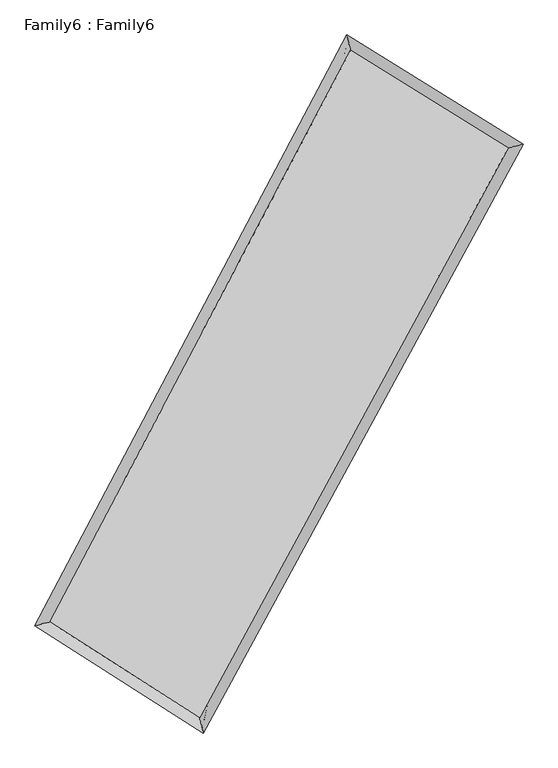
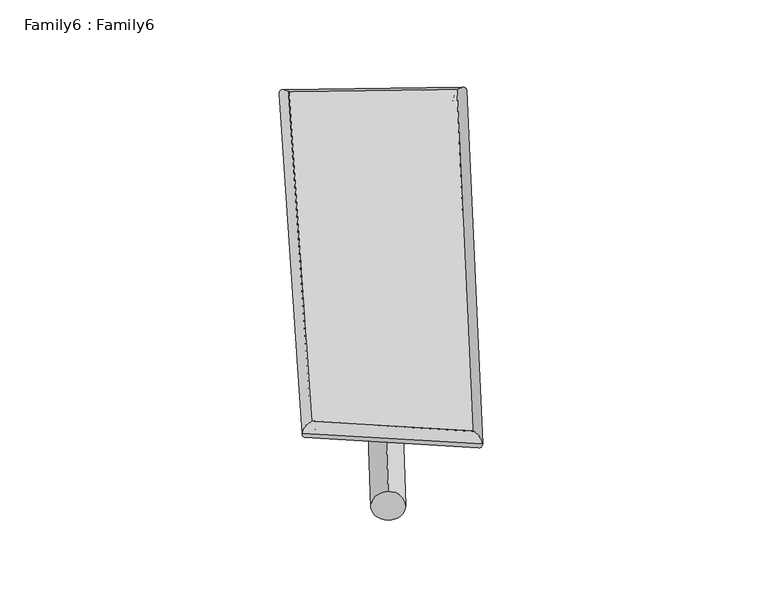
"""IFC4 building model written with IfcOpenShell, lengths in millimetres: plate geometry, Family6 : Family6."""

from ifc_helpers import new_model, si_unit, point, frame, origin, origin_2d, place, context, project, spatial, circle_curve, ellipse_curve, trimmed, segment, composite_curve, outline, extrude, source, transform, mapped, element, save
from ifc_brep_helpers import plane_surface, cylinder_surface, spline_surface, advanced_brep


def family6_family6_d91acb64(model_context):
    return source(origin(), model_context, "Body", "SolidModel", [
        extrude(outline(composite_curve([segment(trimmed(circle_curve(origin_2d(), 76.2), [point((-75.4341514, -10.7763073))], [point((75.4341514, 10.7763073))], False, "CARTESIAN"), True, "CONTINUOUS"), segment(trimmed(circle_curve(origin_2d(), 76.2), [point((75.4341514, 10.7763073))], [point((-75.4341514, -10.7763073))], False, "CARTESIAN"), True, "CONTINUOUS")], self_intersect=False)), frame((9144.0, 9144.0, 0.0), z_axis=(0.6721920018017058, 0.6817787966700103, 0.28867903478605533), x_axis=(-0.675610311637185, 0.724325648078559, -0.137488408038937)), (0.0, 0.0, 1.0), 5471.3867315),
        extrude(outline(composite_curve([segment(trimmed(circle_curve(origin_2d(), 76.2), [point((-53.8815367, 53.8815367))], [point((53.8815367, -53.8815367))], False, "CARTESIAN"), True, "CONTINUOUS"), segment(trimmed(circle_curve(origin_2d(), 76.2), [point((53.8815367, -53.8815367))], [point((-53.8815367, 53.8815367))], False, "CARTESIAN"), True, "CONTINUOUS")], self_intersect=False)), frame((9144.0, 9144.0, 0.0), z_axis=(-0.6639880314479629, -0.6889581839577896, 0.2906140307202042), x_axis=(0.6538428178723978, -0.34639782566991967, 0.6726798019026842)), (0.0, 0.0, 1.0), 5441.1174992),
        extrude(outline(composite_curve([segment(trimmed(circle_curve(origin_2d(), 76.2), [point((-53.8815367, -53.8815367))], [point((53.8815367, 53.8815367))], False, "CARTESIAN"), True, "CONTINUOUS"), segment(trimmed(circle_curve(origin_2d(), 76.2), [point((53.8815367, 53.8815367))], [point((-53.8815367, -53.8815367))], False, "CARTESIAN"), True, "CONTINUOUS")], self_intersect=False)), frame((9144.0, 9144.0, 0.0), z_axis=(0.20649440004206931, 0.9429994291692216, 0.26098302499930565), x_axis=(-0.8492149852009221, 0.3052141422713914, -0.4309039756926555)), (0.0, 0.0, 1.0), 5611.7419651),
        extrude(outline(composite_curve([segment(trimmed(circle_curve(origin_2d(), 76.2), [point((-75.4341515, 10.7763073))], [point((75.4341515, -10.7763073))], False, "CARTESIAN"), True, "CONTINUOUS"), segment(trimmed(circle_curve(origin_2d(), 76.2), [point((75.4341515, -10.7763073))], [point((-75.4341515, 10.7763073))], False, "CARTESIAN"), True, "CONTINUOUS")], self_intersect=False)), frame((9144.0, 9144.0, 0.0), z_axis=(-0.21661602205409647, -0.9408123732114568, 0.2606713973601364), x_axis=(0.8959180165639665, -0.0855006006585086, 0.43591347178439266)), (0.0, 0.0, 1.0), 5610.7663386),
        advanced_brep(
        [(5331.3588651, 5342.6842606, 1574.0216756), (5331.123158, 5342.2469255, 1591.6311853), (5730.9673407, 5447.9108775, 1588.5085005), (10361.1379608, 14220.4663271, 1475.2723622), (10244.4486197, 14651.2726124, 1453.866425), (5731.2030477, 5448.3482127, 1570.8989908), (12619.2508318, 12820.6192531, 1578.2759425), (13024.3939676, 12927.9316708, 1580.6733387), (7872.7180821, 4081.7046212, 1464.871877), (7984.518148, 3648.9385897, 1460.2607265)],
        [
            (0, 1, ellipse_curve(frame((5531.1631029, 5395.2975691, 1581.2650881), z_axis=(-0.2552877623933528, 0.9666458613440454, 0.020589733330554756), x_axis=(-0.9659015347772384, -0.25592600955307715, 0.03919314671232329)), 207.2247425, 152.4)),
            (1, 2, ellipse_curve(frame((5531.1631029, 5395.2975691, 1581.2650881), z_axis=(-0.2552877623933528, 0.9666458613440454, 0.020589733330554756), x_axis=(-0.9659015347772384, -0.25592600955307715, 0.03919314671232329)), 207.2247425, 152.4)),
            (2, 3),
            (3, 4, ellipse_curve(frame((10302.7932903, 14435.8694697, 1464.5693936), z_axis=(-0.9647739177167131, -0.26231660111586014, -0.020032185915869447), x_axis=(0.26155188083312386, -0.9645800695131671, 0.034291443985770734)), 223.4453518, 152.4)),
            (4, 0),
            (2, 5, ellipse_curve(frame((5531.1631029, 5395.2975691, 1581.2650881), z_axis=(-0.2552877623933528, 0.9666458613440454, 0.020589733330554756), x_axis=(-0.9659015347772384, -0.25592600955307715, 0.03919314671232329)), 207.2247425, 152.4)),
            (5, 0, ellipse_curve(frame((5531.1631029, 5395.2975691, 1581.2650881), z_axis=(-0.2552877623933528, 0.9666458613440454, 0.020589733330554756), x_axis=(-0.9659015347772384, -0.25592600955307715, 0.03919314671232329)), 207.2247425, 152.4)),
            (4, 3, ellipse_curve(frame((10302.7932903, 14435.8694697, 1464.5693936), z_axis=(-0.9647739177167131, -0.26231660111586014, -0.020032185915869447), x_axis=(0.26155188083312386, -0.9645800695131671, 0.034291443985770734)), 223.4453518, 152.4)),
            (3, 6),
            (6, 7, ellipse_curve(frame((12821.8223997, 12874.2754619, 1579.4746406), z_axis=(-0.25589637540068055, 0.9665213222239482, -0.0188036896183995), x_axis=(-0.9658717823766666, -0.2564346967972486, -0.036509536932481865)), 209.6493252, 152.4)),
            (7, 4),
            (7, 6, ellipse_curve(frame((12821.8223997, 12874.2754619, 1579.4746406), z_axis=(-0.25589637540068055, 0.9665213222239482, -0.0188036896183995), x_axis=(-0.9658717823766666, -0.2564346967972486, -0.036509536932481865)), 209.6493252, 152.4)),
            (6, 8),
            (8, 9, ellipse_curve(frame((7928.6181151, 3865.3216054, 1462.5663017), z_axis=(0.967916630589829, 0.25028679366300205, -0.022224246793221356), x_axis=(-0.24940272229197982, 0.9677197819886167, 0.03628643908202177)), 223.585772, 152.4)),
            (9, 7),
            (9, 8, ellipse_curve(frame((7928.6181151, 3865.3216054, 1462.5663017), z_axis=(0.967916630589829, 0.25028679366300205, -0.022224246793221356), x_axis=(-0.24940272229197982, 0.9677197819886167, 0.03628643908202177)), 223.585772, 152.4)),
            (8, 5),
            (1, 9),
        ],
        [
            cylinder_surface(frame((5531.1631029, 5395.2975691, 1581.2650881), z_axis=(-0.4667448299519555, -0.8843183626359546, 0.011414780680527637), x_axis=(-0.8831964037852104, 0.46540408910693376, -0.05799263904511587)), 152.4),
            cylinder_surface(frame((10302.7932903, 14435.8694697, 1464.5693936), z_axis=(-0.849295480364654, 0.5264944053395866, -0.03874052372241392), x_axis=(0.5276182654354428, 0.8489966614581952, -0.02869903851583363)), 152.4),
            cylinder_surface(frame((12821.8223997, 12874.2754619, 1579.4746406), z_axis=(0.47725891329855025, 0.878688744102681, 0.011402660406248802), x_axis=(0.8787579523016167, -0.4772589132985502, -0.002896712577472697)), 152.4),
            cylinder_surface(frame((7928.6181151, 3865.3216054, 1462.5663017), z_axis=(0.8422391316669302, -0.5374889708146032, -0.041699536467378104), x_axis=(-0.5366792113964713, -0.8432669124767088, 0.02960301296929705)), 152.4),
        ],
        [
            (0, [[1, 2, 3, 4, 5]]),
            (0, [[6, 7, -5, 8, -3]]),
            (1, [[-4, 9, 10, 11]]),
            (1, [[-8, -11, 12, -9]]),
            (2, [[-10, 13, 14, 15]]),
            (2, [[-12, -15, 16, -13]]),
            (3, [[-14, 17, -6, -2, 18]]),
            (3, [[-16, -18, -1, -7, -17]]),
        ],
    ),
        extrude(outline(composite_curve([segment(trimmed(circle_curve(origin_2d(), 304.8), [point((-1e-07, 304.8))], [point((0.0, -304.8))], False, "CARTESIAN"), True, "CONTINUOUS"), segment(trimmed(circle_curve(origin_2d(), 304.8), [point((0.0, -304.8))], [point((-1e-07, 304.8))], False, "CARTESIAN"), True, "CONTINUOUS")], self_intersect=False)), frame((11621.9975503, 13639.54211, -0.1136673), z_axis=(-0.48273357714703974, -0.8757672596098222, 2.2143291763718093e-05), x_axis=(-0.8757672598712221, 0.48273357714703974, -5.698633659451812e-06)), (0.0, 0.0, 1.0), 10266.5224366),
        advanced_brep(
        [(5531.1631029, 5395.2975691, 1581.2650881), (7928.6181151, 3865.3216054, 1462.5663017), (7928.5893174, 3865.3315645, 1614.9662987), (5531.1343052, 5395.3075281, 1733.665085), (12821.8223997, 12874.2754619, 1579.4746406), (12821.793602, 12874.285421, 1731.8746375), (10302.7932903, 14435.8694697, 1464.5693936), (10302.7644926, 14435.8794288, 1616.9693905)],
        [
            (0, 1),
            (1, 2),
            (2, 3),
            (3, 0),
            (1, 4),
            (4, 5),
            (5, 2),
            (4, 6),
            (6, 7),
            (7, 5),
            (6, 0),
            (3, 7),
        ],
        [
            plane_surface(frame((6729.890609, 4630.3095873, 1521.9156949), z_axis=(-0.5379585255698504, -0.8429713059163194, -4.656659840844915e-05), x_axis=(0.8422391316669304, -0.537488970814603, -0.04169953646737812))),
            plane_surface(frame((10375.2202574, 8369.7985337, 1521.0204712), z_axis=(0.87874478290935, -0.47729191026721485, 0.00019723861815403726), x_axis=(0.4772589132985502, 0.878688744102681, 0.0114026604062488))),
            plane_surface(frame((11562.307845, 13655.0724658, 1522.0220171), z_axis=(0.52688848840319, 0.849934420323393, 4.401976673562222e-05), x_axis=(-0.849295480364654, 0.5264944053395868, -0.038740523722413926))),
            plane_surface(frame((7916.9781966, 9915.5835194, 1522.9172408), z_axis=(-0.8843770160984342, 0.4667732365345491, -0.00019761551510969703), x_axis=(-0.46674482995195565, -0.8843183626359545, 0.011414780680527627))),
            spline_surface(1, 1, [[(7928.5893174, 3865.3315645, 1614.9662987), (5531.1343052, 5395.3075281, 1733.665085)], [(12821.793602, 12874.285421, 1731.8746375), (10302.7644926, 14435.8794288, 1616.9693905)]], [2, 2], [2, 2], [0.0, 1.0], [0.0, 1.0]),
            spline_surface(1, 1, [[(10302.7932903, 14435.8694697, 1464.5693936), (5531.1631029, 5395.2975691, 1581.2650881)], [(12821.8223997, 12874.2754619, 1579.4746406), (7928.6181151, 3865.3216054, 1462.5663017)]], [2, 2], [2, 2], [0.0, 1.0], [0.0, 1.0]),
        ],
        [
            (0, [[1, 2, 3, 4]]),
            (1, [[5, 6, 7, -2]]),
            (2, [[8, 9, 10, -6]]),
            (3, [[11, -4, 12, -9]]),
            (4, [[-3, -7, -10, -12]]),
            (5, [[-11, -8, -5, -1]]),
        ],
    ),
    ])


if __name__ == "__main__":
    model = new_model("IFC4")
    model_context = context("Model", 3, world=origin())
    ifc_project = project(units=[si_unit("LENGTHUNIT", "METRE", prefix="MILLI")], contexts=[model_context])
    site = spatial("IfcSite", under=ifc_project)
    building = spatial("IfcBuilding", under=site)
    placement = place(None, origin())
    family6_family6_shape = family6_family6_d91acb64(model_context)
    element("IfcPlate", 1, ObjectType="Family6 : Family6", at=placement, inside=building, context=model_context, shape_type="MappedRepresentation", body=[
        mapped(family6_family6_shape, transform((0.0, 0.0, 0.0), x_axis=(1.0, 0.0, 0.0), y_axis=(0.0, 1.0, 0.0), z_axis=(0.0, 0.0, 1.0))),
    ])
    save(model, "model.ifc")
